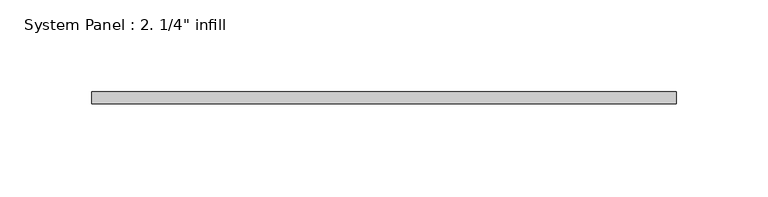
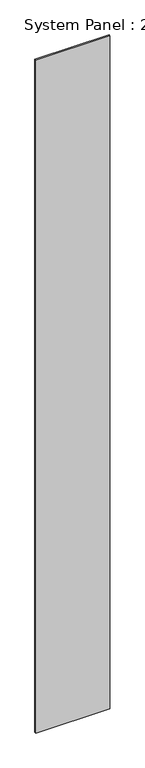
"""IFC4 building model written with IfcOpenShell, lengths in millimetres: plate geometry."""

from ifc_helpers import new_model, si_unit, origin, origin_with_axes, place, context, project, spatial, polyline, outline, extrude, source, transform, mapped, element, save


def plate_3a8952e6(model_context):
    return source(origin(), model_context, "Body", "SweptSolid", [
        extrude(outline(polyline([(158.75, -6.35), (-158.75, -6.35), (-158.75, 0.0), (158.75, 0.0), (158.75, -6.35)])), origin_with_axes(), (0.0, 0.0, 1.0), 3048.0),
    ])


if __name__ == "__main__":
    model = new_model("IFC4")
    model_context = context("Model", 3, world=origin())
    ifc_project = project(units=[si_unit("LENGTHUNIT", "METRE", prefix="MILLI")], contexts=[model_context])
    site = spatial("IfcSite", under=ifc_project)
    building = spatial("IfcBuilding", under=site)
    placement = place(None, origin())
    plate_shape = plate_3a8952e6(model_context)
    element("IfcPlate", 1, ObjectType="System Panel : 2. 1/4\" infill", at=placement, inside=building, context=model_context, shape_type="MappedRepresentation", body=[
        mapped(plate_shape, transform((0.0, 0.0, 0.0), x_axis=(1.0, 0.0, 0.0), y_axis=(0.0, 1.0, 0.0), z_axis=(0.0, 0.0, 1.0))),
    ])
    save(model, "model.ifc")
